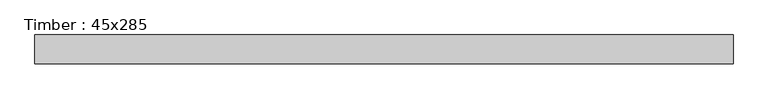
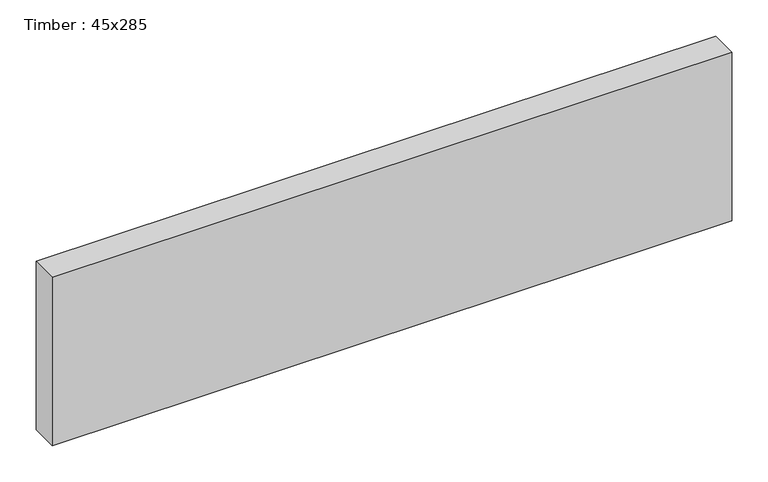
"""IFC4 building model written with IfcOpenShell, lengths in millimetres: beam geometry, Timber : 45x285."""

import ifcopenshell
import ifcopenshell.guid

model = None  # the IFC model being written
_history = None  # IfcOwnerHistory: only IFC2X3 demands one
_inside = {}  # id of a spatial element -> (the spatial element, [elements in it])
_under = {}  # id of a project, library or spatial element -> (it, [spatial elements below it])
_declared = {}  # id of a project -> (the project, [libraries it declares])
_typed = {}  # id of a type object -> (the type object, [elements of that type])
_made_of = {}  # id of a material, layer set ... -> (it, [elements and type objects made of it])


def new_model(schema):
    """Start an empty IFC model of exactly this schema.

    Asked for "IFC4X3", IfcOpenShell would pick the latest addendum, in which some entities
    have other attributes; the version numbers below select the first issue.
    IFC2X3 requires an IfcOwnerHistory on every rooted entity: one is made here for all.
    """
    global model, _history
    if schema == "IFC4X3":
        model = ifcopenshell.file(schema_version=(4, 3, 0, 0))
    else:
        model = ifcopenshell.file(schema=schema)
    _inside.clear()
    _under.clear()
    _declared.clear()
    _typed.clear()
    _made_of.clear()
    _history = None
    if model.schema == "IFC2X3":
        org = make("IfcOrganization", Name="unknown")
        user = make(
            "IfcPersonAndOrganization",
            ThePerson=make("IfcPerson", FamilyName="unknown"),
            TheOrganization=org,
        )
        app = make(
            "IfcApplication",
            ApplicationDeveloper=org,
            Version="unknown",
            ApplicationFullName="unknown",
            ApplicationIdentifier="unknown",
        )
        _history = make(
            "IfcOwnerHistory",
            OwningUser=user,
            OwningApplication=app,
            ChangeAction="ADDED",
            CreationDate=0,
        )
    return model


def make(cls, **values):
    """One entity of the class cls with the attributes given. An attribute that is None is left unset."""
    return model.create_entity(
        cls, **{name: value for name, value in values.items() if value is not None}
    )


def rooted(cls, **values):
    """An entity with a GlobalId (a new one), such as an element, a storey or a relation."""
    return make(cls, GlobalId=ifcopenshell.guid.new(), OwnerHistory=_history, **values)


def si_unit(unit_type, name, prefix=None):
    """IfcSIUnit, for example si_unit("LENGTHUNIT", "METRE", prefix="MILLI")."""
    return make("IfcSIUnit", UnitType=unit_type, Prefix=prefix, Name=name)


def assignment(units):
    """IfcUnitAssignment: the units of a project."""
    return None if units is None else make("IfcUnitAssignment", Units=units)


def point(xyz):
    """IfcCartesianPoint."""
    return None if xyz is None else make("IfcCartesianPoint", Coordinates=xyz)


def direction(xyz):
    """IfcDirection."""
    return None if xyz is None else make("IfcDirection", DirectionRatios=xyz)


def frame(location, z_axis=None, x_axis=None):
    """IfcAxis2Placement3D, a coordinate frame: its origin and axes. An axis left out is left unset."""
    return make(
        "IfcAxis2Placement3D",
        Location=point(location),
        Axis=direction(z_axis),
        RefDirection=direction(x_axis),
    )


def origin():
    """The frame at (0, 0, 0) with its axes left unset."""
    return frame((0.0, 0.0, 0.0))


def place(relative_to, where):
    """IfcLocalPlacement: puts the frame where relative to a parent placement (None: the world)."""
    return make(
        "IfcLocalPlacement", PlacementRelTo=relative_to, RelativePlacement=where
    )


def context(
    kind, dimensions, precision=None, world=None, true_north=None, identifier=None
):
    """IfcGeometricRepresentationContext, for example the 3D "Model" context."""
    return make(
        "IfcGeometricRepresentationContext",
        ContextIdentifier=identifier,
        ContextType=kind,
        CoordinateSpaceDimension=dimensions,
        Precision=precision,
        WorldCoordinateSystem=world,
        TrueNorth=true_north,
    )


def project(units=None, contexts=None):
    """IfcProject with its units and contexts."""
    return rooted(
        "IfcProject",
        Name="project",
        RepresentationContexts=contexts,
        UnitsInContext=assignment(units),
    )


def spatial(cls, under=None, at=None, **own):
    """A site, building, storey or space (cls), placed at a placement, below another one or the project."""
    s = rooted(cls, ObjectPlacement=at, **own)
    if under is not None:
        _under.setdefault(under.id(), (under, []))[1].append(s)
    return s


def polyline(points):
    """IfcPolyline through the points."""
    return make("IfcPolyline", Points=[point(p) for p in points])


def outline(outer, holes=None, kind="AREA"):
    """IfcArbitraryClosedProfileDef: a profile drawn as a closed curve; with holes, ...WithVoids."""
    if holes is None:
        return make("IfcArbitraryClosedProfileDef", ProfileType=kind, OuterCurve=outer)
    return make(
        "IfcArbitraryProfileDefWithVoids",
        ProfileType=kind,
        OuterCurve=outer,
        InnerCurves=holes,
    )


def extrude(swept, where, along, depth):
    """IfcExtrudedAreaSolid: the profile swept, set in the frame where, extruded along a direction by depth."""
    return make(
        "IfcExtrudedAreaSolid",
        SweptArea=swept,
        Position=where,
        ExtrudedDirection=direction(along),
        Depth=depth,
    )


def shape(context_of_items, identifier, shape_type, items):
    """IfcShapeRepresentation: the items that make up one representation, for example the "Body"."""
    return make(
        "IfcShapeRepresentation",
        ContextOfItems=context_of_items,
        RepresentationIdentifier=identifier,
        RepresentationType=shape_type,
        Items=items,
    )


def source(mapping_origin, context_of_items, identifier, shape_type, items):
    """IfcRepresentationMap: a shape defined once, which mapped items show again and again."""
    return make(
        "IfcRepresentationMap",
        MappingOrigin=mapping_origin,
        MappedRepresentation=shape(context_of_items, identifier, shape_type, items),
    )


def transform(
    local_origin,
    x_axis=None,
    y_axis=None,
    z_axis=None,
    scale=None,
    scale2=None,
    scale3=None,
    uniform=True,
):
    """IfcCartesianTransformationOperator3D, or its non-uniform kind. x_axis, y_axis, z_axis: its Axis1, 2, 3."""
    if uniform:
        return make(
            "IfcCartesianTransformationOperator3D",
            Axis1=direction(x_axis),
            Axis2=direction(y_axis),
            LocalOrigin=point(local_origin),
            Scale=scale,
            Axis3=direction(z_axis),
        )
    return make(
        "IfcCartesianTransformationOperator3DnonUniform",
        Axis1=direction(x_axis),
        Axis2=direction(y_axis),
        LocalOrigin=point(local_origin),
        Scale=scale,
        Axis3=direction(z_axis),
        Scale2=scale2,
        Scale3=scale3,
    )


def mapped(mapping_source, mapping_target):
    """IfcMappedItem: shows the shape of a source again, moved by a transform."""
    return make(
        "IfcMappedItem", MappingSource=mapping_source, MappingTarget=mapping_target
    )


def made_of(thing, what):
    """Note that an element or type object is made of a material, layer set ...; save() writes the relation."""
    if what is not None:
        _made_of.setdefault(what.id(), (what, []))[1].append(thing)
    return thing


def element(
    cls,
    number,
    at=None,
    inside=None,
    cuts=None,
    type_object=None,
    material=None,
    context=None,
    identifier="Body",
    shape_type=None,
    held_by="IfcProductDefinitionShape",
    body=None,
    shapes=None,
    **own,
):
    """One element of the class cls, such as IfcWall. Its Tag is "e" and its number.

    at: its placement. inside: the storey or other place that contains it. cuts: it is an
    opening in that element (IfcRelVoidsElement). A single representation is given by context,
    identifier, shape_type and body (its items); several are given by shapes. held_by: the class
    of the entity that holds the representations. save() writes the other relations.
    """
    e = rooted(cls, Tag="e%d" % number, ObjectPlacement=at, **own)
    if body is not None:
        shapes = [shape(context, identifier, shape_type, body)]
    if shapes is not None:
        e.Representation = make(held_by, Representations=shapes)
    if inside is not None:
        _inside.setdefault(inside.id(), (inside, []))[1].append(e)
    if cuts is not None:
        rooted(
            "IfcRelVoidsElement", RelatingBuildingElement=cuts, RelatedOpeningElement=e
        )
    if type_object is not None:
        _typed.setdefault(type_object.id(), (type_object, []))[1].append(e)
    return made_of(e, material)


def aggregate(whole, parts):
    """IfcRelAggregates: a whole, such as a stair, and the parts it consists of."""
    return rooted("IfcRelAggregates", RelatingObject=whole, RelatedObjects=parts)


def save(model, path):
    """Write the relations noted so far, then the file.

    IfcRelAggregates (storeys below a building ...), IfcRelContainedInSpatialStructure (elements
    in a storey), IfcRelDefinesByType, IfcRelAssociatesMaterial and IfcRelDeclares: one each for
    every whole, place, type object, material and project.
    """
    for whole, parts in _under.values():
        aggregate(whole, parts)
    for where, things in _inside.values():
        rooted(
            "IfcRelContainedInSpatialStructure",
            RelatedElements=things,
            RelatingStructure=where,
        )
    for kind, things in _typed.values():
        rooted("IfcRelDefinesByType", RelatedObjects=things, RelatingType=kind)
    for what, things in _made_of.values():
        rooted("IfcRelAssociatesMaterial", RelatedObjects=things, RelatingMaterial=what)
    for by, libraries in _declared.values():
        rooted("IfcRelDeclares", RelatingContext=by, RelatedDefinitions=libraries)
    model.write(path)


def timber_45x285_e0649c61(model_context):
    return source(origin(), model_context, "Body", "SweptSolid", [
        extrude(outline(polyline([(544.0, 22.5), (544.0, -22.5), (-544.0, -22.5), (-544.0, 22.5), (544.0, 22.5)])), frame((0.0, 0.0, -142.5), z_axis=(0.0, 0.0, 1.0), x_axis=(1.0, 0.0, 0.0)), (0.0, 0.0, 1.0), 285.0),
    ])


if __name__ == "__main__":
    model = new_model("IFC4")
    model_context = context("Model", 3, world=origin())
    ifc_project = project(units=[si_unit("LENGTHUNIT", "METRE", prefix="MILLI")], contexts=[model_context])
    site = spatial("IfcSite", under=ifc_project)
    building = spatial("IfcBuilding", under=site)
    placement = place(None, origin())
    timber_45x285_shape = timber_45x285_e0649c61(model_context)
    element("IfcBeam", 1, ObjectType="Timber : 45x285", at=placement, inside=building, context=model_context, shape_type="MappedRepresentation", body=[
        mapped(timber_45x285_shape, transform((0.0, 0.0, 0.0), x_axis=(1.0, 0.0, 0.0), y_axis=(0.0, 1.0, 0.0), z_axis=(0.0, 0.0, 1.0))),
    ])
    save(model, "model.ifc")
